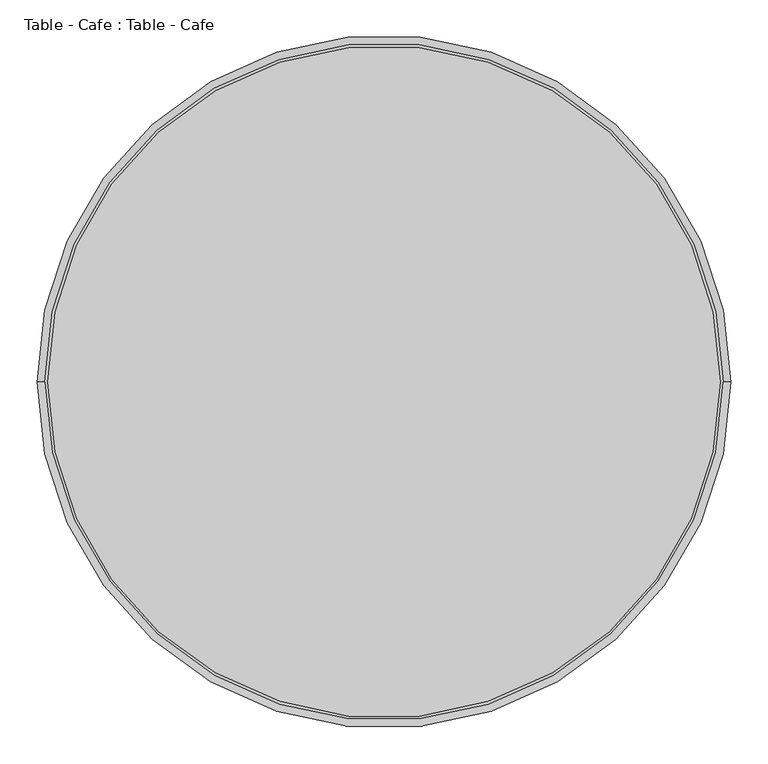
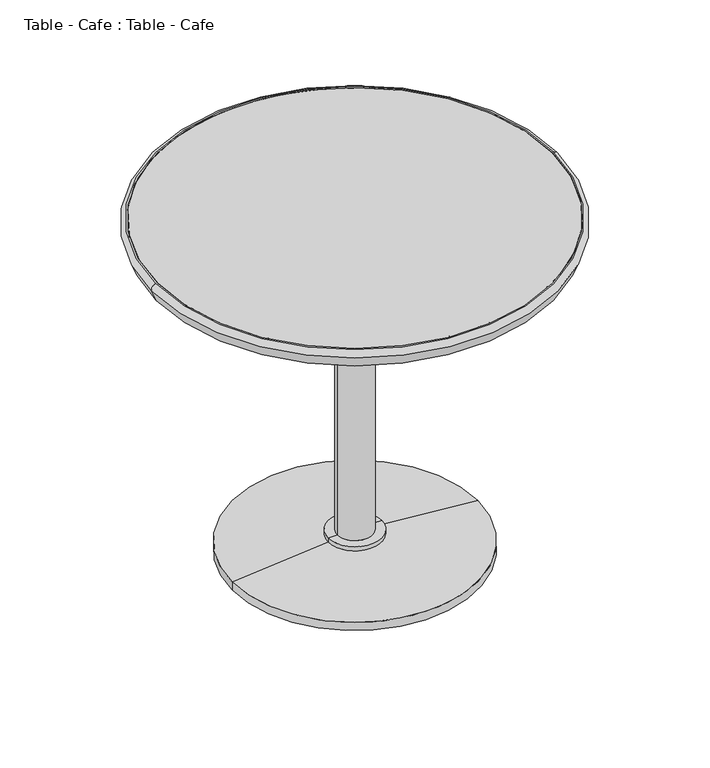
"""IFC4 building model written with IfcOpenShell, lengths in millimetres: furniture geometry, Table - Cafe : Table - Cafe."""

from ifc_helpers import new_model, si_unit, point, frame, origin, origin_2d, place, context, project, spatial, polyline, circle_curve, ellipse_curve, trimmed, segment, composite_curve, outline, extrude, source, transform, mapped, element, save
from ifc_brep_helpers import plane_surface, cylinder_surface, revolved_surface, advanced_brep


def table_cafe_table_cafe_991f7e51(model_context):
    return source(origin(), model_context, "Body", "SolidModel", [
        advanced_brep(
        [(-450.0, 0.0, 800.0), (450.0, 0.0, 800.0), (450.0, 0.0, 760.0), (-450.0, 0.0, 760.0), (-463.1402754, 0.0, 786.4163205), (463.1402754, 0.0, 786.4163205), (453.8044711, 0.0, 800.0), (-453.8044711, 0.0, 800.0), (-453.0, 0.0, 760.0), (453.0, 0.0, 760.0)],
        [
            (0, 1, circle_curve(frame((0.0, 0.0, 800.0), z_axis=(0.0, 0.0, 1.0), x_axis=(1.0, 0.0, 0.0)), 450.0)),
            (1, 2),
            (2, 3, circle_curve(frame((0.0, 0.0, 760.0), z_axis=(0.0, 0.0, -1.0), x_axis=(1.0, 0.0, 0.0)), 450.0)),
            (3, 0),
            (4, 5, circle_curve(frame((0.0, 0.0, 786.4163205), z_axis=(0.0, 0.0, 1.0), x_axis=(1.0, 0.0, 0.0)), 463.1402754)),
            (5, 6, circle_curve(frame((453.8044711, 0.0, 790.0), z_axis=(0.0, -1.0, 0.0), x_axis=(1.0, 0.0, 0.0)), 10.0)),
            (6, 7, circle_curve(frame((0.0, 0.0, 800.0), z_axis=(0.0, 0.0, -1.0), x_axis=(1.0, 0.0, 0.0)), 453.8044711)),
            (7, 4, circle_curve(frame((-453.8044711, 0.0, 790.0), z_axis=(0.0, -1.0, 0.0), x_axis=(-1.0, 0.0, 0.0)), 10.0)),
            (8, 9, circle_curve(frame((0.0, 0.0, 760.0), z_axis=(0.0, 0.0, 1.0), x_axis=(1.0, 0.0, 0.0)), 453.0)),
            (9, 5),
            (4, 8),
            (1, 0, circle_curve(frame((0.0, 0.0, 800.0), z_axis=(0.0, 0.0, 1.0), x_axis=(-1.0, 0.0, 0.0)), 450.0)),
            (3, 2, circle_curve(frame((0.0, 0.0, 760.0), z_axis=(0.0, 0.0, -1.0), x_axis=(-1.0, 0.0, 0.0)), 450.0)),
            (6, 7, circle_curve(frame((0.0, 0.0, 800.0), z_axis=(0.0, 0.0, 1.0), x_axis=(-1.0, 0.0, 0.0)), 453.8044711)),
            (5, 4, circle_curve(frame((0.0, 0.0, 786.4163205), z_axis=(0.0, 0.0, 1.0), x_axis=(-1.0, 0.0, 0.0)), 463.1402754)),
            (9, 8, circle_curve(frame((0.0, 0.0, 760.0), z_axis=(0.0, 0.0, 1.0), x_axis=(-1.0, 0.0, 0.0)), 453.0)),
        ],
        [
            revolved_surface(polyline([(450.0, 0.0, 760.0), (450.0, 0.0, 800.0)]), (0.0, 0.0, 800.0), (0.0, 0.0, -1.0)),
            revolved_surface(trimmed(ellipse_curve(frame((453.8044711, 0.0, 790.0), z_axis=(0.0, 1.0, 0.0), x_axis=(1.0, 0.0, 0.0)), 10.0, 10.0), [point((453.8044711, 0.0, 800.0))], [point((463.1402754, 0.0, 786.4163205))], True, "CARTESIAN"), (0.0, 0.0, 800.0), (0.0, 0.0, -1.0)),
            revolved_surface(polyline([(463.1402754, 0.0, 786.4163205), (453.0, 0.0, 760.0)]), (0.0, 0.0, 800.0), (0.0, 0.0, -1.0)),
            revolved_surface(polyline([(-450.0, 0.0, 760.0), (-450.0, 0.0, 800.0)]), (0.0, 0.0, 800.0), (0.0, 0.0, -1.0)),
            plane_surface(frame((0.0, 0.0, 800.0), z_axis=(0.0, 0.0, 1.0), x_axis=(-1.0, 0.0, 0.0))),
            revolved_surface(trimmed(ellipse_curve(frame((-453.8044711, 0.0, 790.0), z_axis=(0.0, -1.0, 0.0), x_axis=(-1.0, 0.0, 0.0)), 10.0, 10.0), [point((-453.8044711, 0.0, 800.0))], [point((-463.1402754, 0.0, 786.4163205))], True, "CARTESIAN"), (0.0, 0.0, 800.0), (0.0, 0.0, -1.0)),
            revolved_surface(polyline([(-463.1402754, 0.0, 786.4163205), (-453.0, 0.0, 760.0)]), (0.0, 0.0, 800.0), (0.0, 0.0, -1.0)),
            plane_surface(frame((0.0, 0.0, 760.0), z_axis=(0.0, 0.0, -1.0), x_axis=(-1.0, 0.0, 0.0))),
        ],
        [
            (0, [[1, 2, 3, 4]]),
            (1, [[5, 6, 7, 8]]),
            (2, [[9, 10, -5, 11]]),
            (3, [[12, -4, 13, -2]]),
            (4, [[14, -7], [-12, -1]]),
            (5, [[15, -8, -14, -6]]),
            (6, [[16, -11, -15, -10]]),
            (7, [[-16, -9], [-13, -3]]),
        ],
    ),
        advanced_brep(
        [(280.0, 0.0, 0.0), (-280.0, 0.0, 0.0), (-280.0, 0.0, 20.0), (280.0, 0.0, 20.0), (0.0, 0.0, 0.0), (40.0, 0.0, 760.0), (-40.0, 0.0, 760.0), (0.0, 0.0, 760.0), (40.0, 0.0, 49.1742634), (-40.0, 0.0, 49.1742634), (60.8371664, 0.0, 49.1742634), (-60.8371664, 0.0, 49.1742634), (60.8371664, 0.0, 39.1742634), (-60.8371664, 0.0, 39.1742634)],
        [
            (0, 1, circle_curve(frame((0.0, 0.0, 0.0), z_axis=(0.0, 0.0, 1.0), x_axis=(-1.0, 0.0, 0.0)), 280.0)),
            (1, 2),
            (2, 3, circle_curve(frame((0.0, 0.0, 20.0), z_axis=(0.0, 0.0, -1.0), x_axis=(-1.0, 0.0, 0.0)), 280.0)),
            (3, 0),
            (1, 0, circle_curve(frame((0.0, 0.0, 0.0), z_axis=(0.0, 0.0, 1.0), x_axis=(-1.0, 0.0, 0.0)), 280.0)),
            (3, 2, circle_curve(frame((0.0, 0.0, 20.0), z_axis=(0.0, 0.0, -1.0), x_axis=(-1.0, 0.0, 0.0)), 280.0)),
            (4, 1),
            (0, 4),
            (5, 6, circle_curve(frame((0.0, 0.0, 760.0), z_axis=(0.0, 0.0, 1.0), x_axis=(-1.0, 0.0, 0.0)), 40.0)),
            (6, 7),
            (7, 5),
            (6, 5, circle_curve(frame((0.0, 0.0, 760.0), z_axis=(0.0, 0.0, 1.0), x_axis=(-1.0, 0.0, 0.0)), 40.0)),
            (8, 9, circle_curve(frame((0.0, 0.0, 49.1742634), z_axis=(0.0, 0.0, 1.0), x_axis=(-1.0, 0.0, 0.0)), 40.0)),
            (9, 6),
            (5, 8),
            (9, 8, circle_curve(frame((0.0, 0.0, 49.1742634), z_axis=(0.0, 0.0, 1.0), x_axis=(-1.0, 0.0, 0.0)), 40.0)),
            (10, 11, circle_curve(frame((0.0, 0.0, 49.1742634), z_axis=(0.0, 0.0, 1.0), x_axis=(-1.0, 0.0, 0.0)), 60.8371664)),
            (11, 9),
            (8, 10),
            (11, 10, circle_curve(frame((0.0, 0.0, 49.1742634), z_axis=(0.0, 0.0, 1.0), x_axis=(-1.0, 0.0, 0.0)), 60.8371664)),
            (12, 13, circle_curve(frame((0.0, 0.0, 39.1742634), z_axis=(0.0, 0.0, 1.0), x_axis=(-1.0, 0.0, 0.0)), 60.8371664)),
            (13, 11),
            (10, 12),
            (13, 12, circle_curve(frame((0.0, 0.0, 39.1742634), z_axis=(0.0, 0.0, 1.0), x_axis=(-1.0, 0.0, 0.0)), 60.8371664)),
            (2, 13),
            (12, 3),
        ],
        [
            cylinder_surface(frame((0.0, 0.0, -40.0), z_axis=(0.0, 0.0, -1.0), x_axis=(-1.0, 0.0, 0.0)), 280.0),
            plane_surface(frame((0.0, 0.0, 0.0), z_axis=(0.0, 0.0, -1.0), x_axis=(-1.0, 0.0, 0.0))),
            plane_surface(frame((0.0, 0.0, 760.0), z_axis=(0.0, 0.0, 1.0), x_axis=(-1.0, 0.0, 0.0))),
            cylinder_surface(frame((0.0, 0.0, -40.0), z_axis=(0.0, 0.0, -1.0), x_axis=(-1.0, 0.0, 0.0)), 40.0),
            plane_surface(frame((0.0, 0.0, 49.1742634), z_axis=(0.0, 0.0, 1.0), x_axis=(-1.0, 0.0, 0.0))),
            cylinder_surface(frame((0.0, 0.0, -40.0), z_axis=(0.0, 0.0, -1.0), x_axis=(-1.0, 0.0, 0.0)), 60.8371664),
            revolved_surface(polyline([(-60.8371664, 0.0, 39.1742634), (-280.0, 0.0, 20.0)]), (0.0, 0.0, -40.0), (0.0, 0.0, -1.0)),
        ],
        [
            (0, [[1, 2, 3, 4]]),
            (0, [[5, -4, 6, -2]]),
            (1, [[7, -1, 8]]),
            (1, [[-8, -5, -7]]),
            (2, [[9, 10, 11]]),
            (2, [[12, -11, -10]]),
            (3, [[13, 14, -9, 15]]),
            (3, [[16, -15, -12, -14]]),
            (4, [[17, 18, -13, 19]]),
            (4, [[20, -19, -16, -18]]),
            (5, [[21, 22, -17, 23]]),
            (5, [[24, -23, -20, -22]]),
            (6, [[-3, 25, -21, 26]]),
            (6, [[-6, -26, -24, -25]]),
        ],
    ),
        extrude(outline(composite_curve([segment(trimmed(circle_curve(origin_2d(), 450.0), [point((450.0, 0.0))], [point((-450.0, 0.0))], False, "CARTESIAN"), True, "CONTINUOUS"), segment(trimmed(circle_curve(origin_2d(), 450.0), [point((-450.0, 0.0))], [point((450.0, 0.0))], False, "CARTESIAN"), True, "CONTINUOUS")], self_intersect=False)), frame((0.0, 0.0, 760.0), z_axis=(0.0, 0.0, 1.0), x_axis=(1.0, 0.0, 0.0)), (0.0, 0.0, 1.0), 40.0),
    ])


if __name__ == "__main__":
    model = new_model("IFC4")
    model_context = context("Model", 3, world=origin())
    ifc_project = project(units=[si_unit("LENGTHUNIT", "METRE", prefix="MILLI")], contexts=[model_context])
    site = spatial("IfcSite", under=ifc_project)
    building = spatial("IfcBuilding", under=site)
    placement = place(None, origin())
    table_cafe_table_cafe_shape = table_cafe_table_cafe_991f7e51(model_context)
    element("IfcFurniture", 1, ObjectType="Table - Cafe : Table - Cafe", at=placement, inside=building, context=model_context, shape_type="MappedRepresentation", body=[
        mapped(table_cafe_table_cafe_shape, transform((0.0, 0.0, 0.0), x_axis=(1.0, 0.0, 0.0), y_axis=(0.0, 1.0, 0.0), z_axis=(0.0, 0.0, 1.0))),
    ])
    save(model, "model.ifc")
